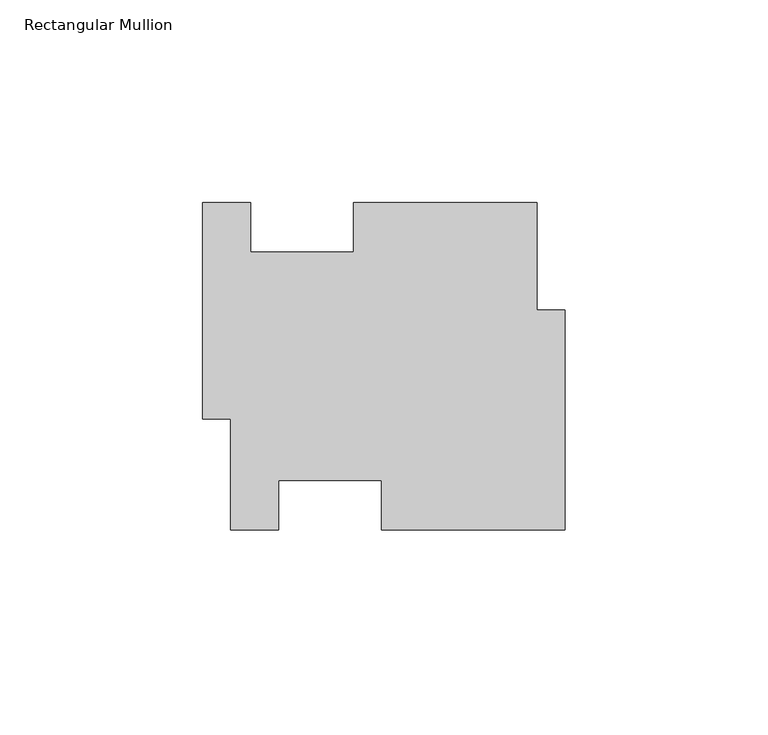
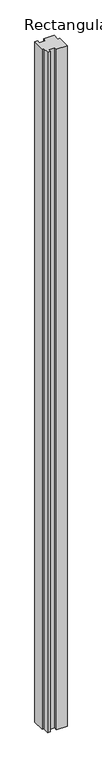
"""IFC4 building model written with IfcOpenShell, lengths in millimetres: member geometry, Rectangular Mullion."""

import ifcopenshell
import ifcopenshell.guid

model = None  # the IFC model being written
_history = None  # IfcOwnerHistory: only IFC2X3 demands one
_inside = {}  # id of a spatial element -> (the spatial element, [elements in it])
_under = {}  # id of a project, library or spatial element -> (it, [spatial elements below it])
_declared = {}  # id of a project -> (the project, [libraries it declares])
_typed = {}  # id of a type object -> (the type object, [elements of that type])
_made_of = {}  # id of a material, layer set ... -> (it, [elements and type objects made of it])


def new_model(schema):
    """Start an empty IFC model of exactly this schema.

    Asked for "IFC4X3", IfcOpenShell would pick the latest addendum, in which some entities
    have other attributes; the version numbers below select the first issue.
    IFC2X3 requires an IfcOwnerHistory on every rooted entity: one is made here for all.
    """
    global model, _history
    if schema == "IFC4X3":
        model = ifcopenshell.file(schema_version=(4, 3, 0, 0))
    else:
        model = ifcopenshell.file(schema=schema)
    _inside.clear()
    _under.clear()
    _declared.clear()
    _typed.clear()
    _made_of.clear()
    _history = None
    if model.schema == "IFC2X3":
        org = make("IfcOrganization", Name="unknown")
        user = make(
            "IfcPersonAndOrganization",
            ThePerson=make("IfcPerson", FamilyName="unknown"),
            TheOrganization=org,
        )
        app = make(
            "IfcApplication",
            ApplicationDeveloper=org,
            Version="unknown",
            ApplicationFullName="unknown",
            ApplicationIdentifier="unknown",
        )
        _history = make(
            "IfcOwnerHistory",
            OwningUser=user,
            OwningApplication=app,
            ChangeAction="ADDED",
            CreationDate=0,
        )
    return model


def make(cls, **values):
    """One entity of the class cls with the attributes given. An attribute that is None is left unset."""
    return model.create_entity(
        cls, **{name: value for name, value in values.items() if value is not None}
    )


def rooted(cls, **values):
    """An entity with a GlobalId (a new one), such as an element, a storey or a relation."""
    return make(cls, GlobalId=ifcopenshell.guid.new(), OwnerHistory=_history, **values)


def si_unit(unit_type, name, prefix=None):
    """IfcSIUnit, for example si_unit("LENGTHUNIT", "METRE", prefix="MILLI")."""
    return make("IfcSIUnit", UnitType=unit_type, Prefix=prefix, Name=name)


def assignment(units):
    """IfcUnitAssignment: the units of a project."""
    return None if units is None else make("IfcUnitAssignment", Units=units)


def point(xyz):
    """IfcCartesianPoint."""
    return None if xyz is None else make("IfcCartesianPoint", Coordinates=xyz)


def direction(xyz):
    """IfcDirection."""
    return None if xyz is None else make("IfcDirection", DirectionRatios=xyz)


def frame(location, z_axis=None, x_axis=None):
    """IfcAxis2Placement3D, a coordinate frame: its origin and axes. An axis left out is left unset."""
    return make(
        "IfcAxis2Placement3D",
        Location=point(location),
        Axis=direction(z_axis),
        RefDirection=direction(x_axis),
    )


def origin():
    """The frame at (0, 0, 0) with its axes left unset."""
    return frame((0.0, 0.0, 0.0))


def place(relative_to, where):
    """IfcLocalPlacement: puts the frame where relative to a parent placement (None: the world)."""
    return make(
        "IfcLocalPlacement", PlacementRelTo=relative_to, RelativePlacement=where
    )


def context(
    kind, dimensions, precision=None, world=None, true_north=None, identifier=None
):
    """IfcGeometricRepresentationContext, for example the 3D "Model" context."""
    return make(
        "IfcGeometricRepresentationContext",
        ContextIdentifier=identifier,
        ContextType=kind,
        CoordinateSpaceDimension=dimensions,
        Precision=precision,
        WorldCoordinateSystem=world,
        TrueNorth=true_north,
    )


def project(units=None, contexts=None):
    """IfcProject with its units and contexts."""
    return rooted(
        "IfcProject",
        Name="project",
        RepresentationContexts=contexts,
        UnitsInContext=assignment(units),
    )


def spatial(cls, under=None, at=None, **own):
    """A site, building, storey or space (cls), placed at a placement, below another one or the project."""
    s = rooted(cls, ObjectPlacement=at, **own)
    if under is not None:
        _under.setdefault(under.id(), (under, []))[1].append(s)
    return s


def polyline(points):
    """IfcPolyline through the points."""
    return make("IfcPolyline", Points=[point(p) for p in points])


def outline(outer, holes=None, kind="AREA"):
    """IfcArbitraryClosedProfileDef: a profile drawn as a closed curve; with holes, ...WithVoids."""
    if holes is None:
        return make("IfcArbitraryClosedProfileDef", ProfileType=kind, OuterCurve=outer)
    return make(
        "IfcArbitraryProfileDefWithVoids",
        ProfileType=kind,
        OuterCurve=outer,
        InnerCurves=holes,
    )


def extrude(swept, where, along, depth):
    """IfcExtrudedAreaSolid: the profile swept, set in the frame where, extruded along a direction by depth."""
    return make(
        "IfcExtrudedAreaSolid",
        SweptArea=swept,
        Position=where,
        ExtrudedDirection=direction(along),
        Depth=depth,
    )


def shape(context_of_items, identifier, shape_type, items):
    """IfcShapeRepresentation: the items that make up one representation, for example the "Body"."""
    return make(
        "IfcShapeRepresentation",
        ContextOfItems=context_of_items,
        RepresentationIdentifier=identifier,
        RepresentationType=shape_type,
        Items=items,
    )


def source(mapping_origin, context_of_items, identifier, shape_type, items):
    """IfcRepresentationMap: a shape defined once, which mapped items show again and again."""
    return make(
        "IfcRepresentationMap",
        MappingOrigin=mapping_origin,
        MappedRepresentation=shape(context_of_items, identifier, shape_type, items),
    )


def transform(
    local_origin,
    x_axis=None,
    y_axis=None,
    z_axis=None,
    scale=None,
    scale2=None,
    scale3=None,
    uniform=True,
):
    """IfcCartesianTransformationOperator3D, or its non-uniform kind. x_axis, y_axis, z_axis: its Axis1, 2, 3."""
    if uniform:
        return make(
            "IfcCartesianTransformationOperator3D",
            Axis1=direction(x_axis),
            Axis2=direction(y_axis),
            LocalOrigin=point(local_origin),
            Scale=scale,
            Axis3=direction(z_axis),
        )
    return make(
        "IfcCartesianTransformationOperator3DnonUniform",
        Axis1=direction(x_axis),
        Axis2=direction(y_axis),
        LocalOrigin=point(local_origin),
        Scale=scale,
        Axis3=direction(z_axis),
        Scale2=scale2,
        Scale3=scale3,
    )


def mapped(mapping_source, mapping_target):
    """IfcMappedItem: shows the shape of a source again, moved by a transform."""
    return make(
        "IfcMappedItem", MappingSource=mapping_source, MappingTarget=mapping_target
    )


def made_of(thing, what):
    """Note that an element or type object is made of a material, layer set ...; save() writes the relation."""
    if what is not None:
        _made_of.setdefault(what.id(), (what, []))[1].append(thing)
    return thing


def element(
    cls,
    number,
    at=None,
    inside=None,
    cuts=None,
    type_object=None,
    material=None,
    context=None,
    identifier="Body",
    shape_type=None,
    held_by="IfcProductDefinitionShape",
    body=None,
    shapes=None,
    **own,
):
    """One element of the class cls, such as IfcWall. Its Tag is "e" and its number.

    at: its placement. inside: the storey or other place that contains it. cuts: it is an
    opening in that element (IfcRelVoidsElement). A single representation is given by context,
    identifier, shape_type and body (its items); several are given by shapes. held_by: the class
    of the entity that holds the representations. save() writes the other relations.
    """
    e = rooted(cls, Tag="e%d" % number, ObjectPlacement=at, **own)
    if body is not None:
        shapes = [shape(context, identifier, shape_type, body)]
    if shapes is not None:
        e.Representation = make(held_by, Representations=shapes)
    if inside is not None:
        _inside.setdefault(inside.id(), (inside, []))[1].append(e)
    if cuts is not None:
        rooted(
            "IfcRelVoidsElement", RelatingBuildingElement=cuts, RelatedOpeningElement=e
        )
    if type_object is not None:
        _typed.setdefault(type_object.id(), (type_object, []))[1].append(e)
    return made_of(e, material)


def aggregate(whole, parts):
    """IfcRelAggregates: a whole, such as a stair, and the parts it consists of."""
    return rooted("IfcRelAggregates", RelatingObject=whole, RelatedObjects=parts)


def save(model, path):
    """Write the relations noted so far, then the file.

    IfcRelAggregates (storeys below a building ...), IfcRelContainedInSpatialStructure (elements
    in a storey), IfcRelDefinesByType, IfcRelAssociatesMaterial and IfcRelDeclares: one each for
    every whole, place, type object, material and project.
    """
    for whole, parts in _under.values():
        aggregate(whole, parts)
    for where, things in _inside.values():
        rooted(
            "IfcRelContainedInSpatialStructure",
            RelatedElements=things,
            RelatingStructure=where,
        )
    for kind, things in _typed.values():
        rooted("IfcRelDefinesByType", RelatedObjects=things, RelatingType=kind)
    for what, things in _made_of.values():
        rooted("IfcRelAssociatesMaterial", RelatedObjects=things, RelatingMaterial=what)
    for by, libraries in _declared.values():
        rooted("IfcRelDeclares", RelatingContext=by, RelatedDefinitions=libraries)
    model.write(path)


def rectangular_mullion_fd04b2be(model_context):
    return source(origin(), model_context, "Body", "SweptSolid", [
        extrude(outline(polyline([(-6.9088, 16.5035503), (0.0, 16.5035503), (0.0, -37.8524497), (-45.3136, -37.8524497), (-45.3136, -25.6350497), (-70.7136, -25.6350497), (-70.7136, -37.8524497), (-82.55, -37.8524497), (-82.55, -10.4787245), (-89.4588, -10.4787245), (-89.4588, 42.9982967), (-77.6224, 42.9982967), (-77.6224, 30.7808967), (-52.2224, 30.7808967), (-52.2224, 42.9982967), (-6.9088, 42.9982967), (-6.9088, 16.5035503)])), frame((0.0, 0.0, -3048.0), z_axis=(0.0, 0.0, 1.0), x_axis=(1.0, 0.0, 0.0)), (0.0, 0.0, 1.0), 3048.0),
    ])


if __name__ == "__main__":
    model = new_model("IFC4")
    model_context = context("Model", 3, world=origin())
    ifc_project = project(units=[si_unit("LENGTHUNIT", "METRE", prefix="MILLI")], contexts=[model_context])
    site = spatial("IfcSite", under=ifc_project)
    building = spatial("IfcBuilding", under=site)
    placement = place(None, origin())
    rectangular_mullion_shape = rectangular_mullion_fd04b2be(model_context)
    element("IfcMember", 1, ObjectType="Rectangular Mullion", at=placement, inside=building, context=model_context, shape_type="MappedRepresentation", body=[
        mapped(rectangular_mullion_shape, transform((0.0, 0.0, 0.0), x_axis=(1.0, 0.0, 0.0), y_axis=(0.0, 1.0, 0.0), z_axis=(0.0, 0.0, 1.0))),
    ])
    save(model, "model.ifc")
